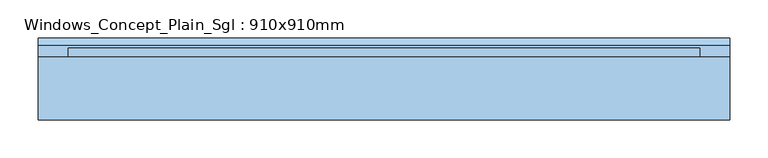
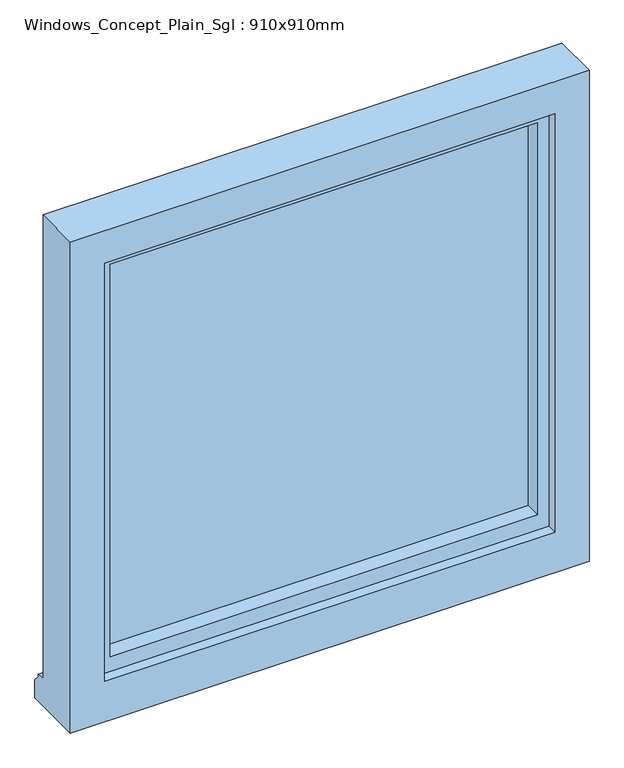
"""IFC4 building model written with IfcOpenShell, lengths in millimetres: window geometry, Windows_Concept_Plain_Sgl : 910x910mm."""

from ifc_helpers import new_model, si_unit, frame, origin, place, context, project, spatial, polyline, outline, extrude, faceted_brep, source, transform, mapped, element, save


def windows_concept_plain_sgl_910x910mm_f32efa62(model_context):
    return source(origin(), model_context, "Body", "SolidModel", [
        faceted_brep([(-455.0, 87.9565678, 1200.0), (455.0, 87.9565678, 1200.0), (455.0, 87.9565678, 2110.0), (-455.0, 87.9565678, 2110.0), (-395.0, 87.9565678, 2050.0), (395.0, 87.9565678, 2050.0), (395.0, 87.9565678, 1275.0), (-395.0, 87.9565678, 1275.0), (-455.0, 170.9565678, 2110.0), (-455.0, 170.9565678, 1251.0), (-455.0, 185.9565678, 1249.68767), (-455.0, 185.9565678, 1244.7449676), (-455.0, 195.9565678, 1233.8088847), (-455.0, 195.9565678, 1200.0), (455.0, 170.9565678, 2110.0), (455.0, 170.9565678, 1251.0), (-415.0, 170.9565678, 2070.0), (-415.0, 170.9565678, 1263.0), (415.0, 170.9565678, 1263.0), (415.0, 170.9565678, 2070.0), (-415.0, 105.9565678, 2070.0), (-415.0, 105.9565678, 1263.0), (415.0, 105.9565678, 2070.0), (415.0, 105.9565678, 1263.0), (-395.0, 105.9565678, 2050.0), (-395.0, 105.9565678, 1275.0), (395.0, 105.9565678, 1275.0), (395.0, 105.9565678, 2050.0), (455.0, 195.9565678, 1200.0), (455.0, 195.9565678, 1233.8088847), (455.0, 185.9565678, 1244.7449676), (455.0, 185.9565678, 1249.68767)], [[[0, 1, 2, 3], [4, 5, 6, 7]], [[0, 3, 8, 9, 10, 11, 12, 13]], [[9, 8, 14, 15], [16, 17, 18, 19]], [[17, 16, 20, 21]], [[20, 22, 23, 21], [24, 25, 26, 27]], [[24, 4, 7, 25]], [[3, 2, 14, 8]], [[16, 19, 22, 20]], [[5, 4, 24, 27]], [[15, 14, 2, 1, 28, 29, 30, 31]], [[19, 18, 23, 22]], [[5, 27, 26, 6]], [[28, 1, 0, 13]], [[29, 28, 13, 12]], [[30, 29, 12, 11]], [[31, 30, 11, 10]], [[15, 31, 10, 9]], [[21, 23, 18, 17]], [[7, 6, 26, 25]]]),
        extrude(outline(polyline([(385.0, 134.9565678), (-385.0, 134.9565678), (-385.0, 158.9565678), (385.0, 158.9565678), (385.0, 134.9565678)])), frame((0.0, 0.0, 1293.0), z_axis=(0.0, 0.0, 1.0), x_axis=(1.0, 0.0, 0.0)), (0.0, 0.0, 1.0), 747.0),
        faceted_brep([(-415.0, 105.9565678, 2070.0), (-415.0, 182.5035732, 2070.0), (-415.0, 182.5035732, 1263.0), (-415.0, 105.9565678, 1263.0), (-375.0, 134.9565678, 2030.0), (-375.0, 105.9565678, 2030.0), (-375.0, 105.9565678, 1303.0), (-375.0, 134.9565678, 1303.0), (-385.0, 158.9565678, 2040.0), (-385.0, 134.9565678, 2040.0), (-385.0, 134.9565678, 1293.0), (-385.0, 158.9565678, 1293.0), (-375.0, 182.5035732, 2030.0), (-375.0, 158.9565678, 2030.0), (-375.0, 158.9565678, 1303.0), (-375.0, 182.5035732, 1303.0), (415.0, 182.5035732, 1263.0), (415.0, 105.9565678, 1263.0), (375.0, 105.9565678, 1303.0), (375.0, 134.9565678, 1303.0), (385.0, 134.9565678, 1293.0), (385.0, 158.9565678, 1293.0), (375.0, 158.9565678, 1303.0), (375.0, 182.5035732, 1303.0), (415.0, 182.5035732, 2070.0), (415.0, 105.9565678, 2070.0), (375.0, 105.9565678, 2030.0), (375.0, 134.9565678, 2030.0), (385.0, 134.9565678, 2040.0), (385.0, 158.9565678, 2040.0), (375.0, 158.9565678, 2030.0), (375.0, 182.5035732, 2030.0)], [[[0, 1, 2, 3]], [[4, 5, 6, 7]], [[8, 9, 10, 11]], [[12, 13, 14, 15]], [[3, 2, 16, 17]], [[7, 6, 18, 19]], [[11, 10, 20, 21]], [[15, 14, 22, 23]], [[17, 16, 24, 25]], [[19, 18, 26, 27]], [[21, 20, 28, 29]], [[23, 22, 30, 31]], [[1, 24, 16, 2], [15, 23, 31, 12]], [[25, 24, 1, 0]], [[3, 17, 25, 0], [5, 26, 18, 6]], [[27, 26, 5, 4]], [[9, 28, 20, 10], [7, 19, 27, 4]], [[29, 28, 9, 8]], [[11, 21, 29, 8], [13, 30, 22, 14]], [[31, 30, 13, 12]]]),
    ])


if __name__ == "__main__":
    model = new_model("IFC4")
    model_context = context("Model", 3, world=origin())
    ifc_project = project(units=[si_unit("LENGTHUNIT", "METRE", prefix="MILLI")], contexts=[model_context])
    site = spatial("IfcSite", under=ifc_project)
    building = spatial("IfcBuilding", under=site)
    placement = place(None, origin())
    windows_concept_plain_sgl_910x910mm_shape = windows_concept_plain_sgl_910x910mm_f32efa62(model_context)
    element("IfcWindow", 1, ObjectType="Windows_Concept_Plain_Sgl : 910x910mm", at=placement, inside=building, context=model_context, shape_type="MappedRepresentation", body=[
        mapped(windows_concept_plain_sgl_910x910mm_shape, transform((0.0, 0.0, 0.0), x_axis=(1.0, 0.0, 0.0), y_axis=(0.0, 1.0, 0.0), z_axis=(0.0, 0.0, 1.0))),
    ])
    save(model, "model.ifc")
